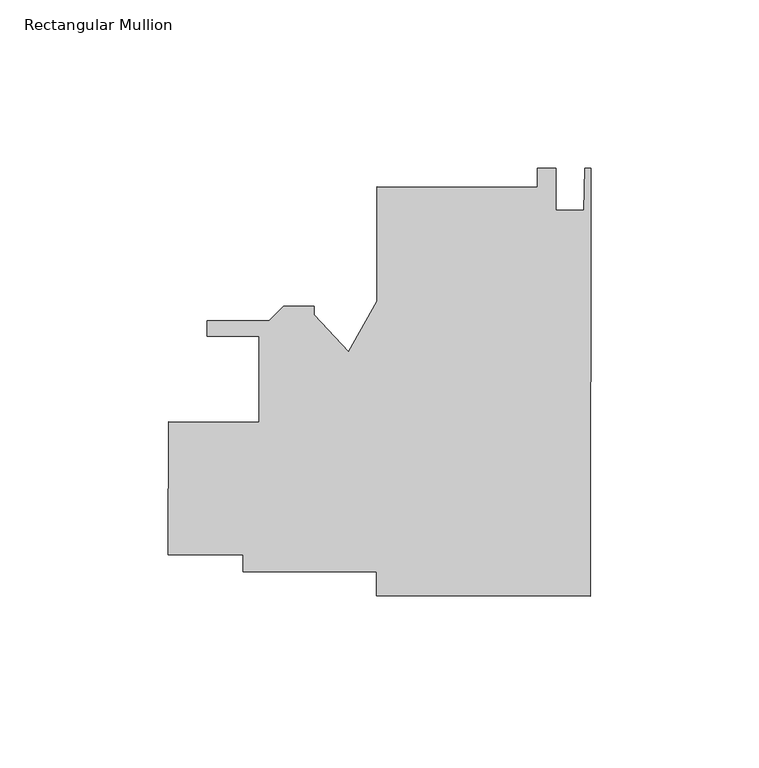
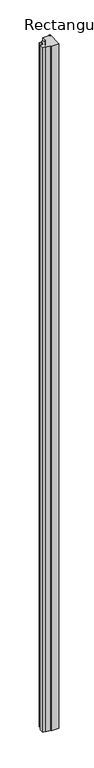
"""IFC4 building model written with IfcOpenShell, lengths in millimetres: member geometry, Rectangular Mullion."""

from ifc_helpers import new_model, si_unit, frame, origin, place, context, project, spatial, polyline, outline, extrude, source, transform, mapped, element, save


def rectangular_mullion_1303f9b8(model_context):
    return source(origin(), model_context, "Body", "SweptSolid", [
        extrude(outline(polyline([(0.0, 62.5473108), (-0.1449996, -64.4526064), (-63.6449582, -64.3801066), (-63.6368165, -57.2490613), (-103.3242793, -57.2037489), (-103.3184794, -52.1237729), (-125.5434648, -52.098398), (-125.4985149, -12.7284238), (-98.5110326, -12.7592362), (-98.4820327, 12.6407472), (-113.9831721, 12.6584453), (-113.9778072, 17.3574424), (-95.5953113, 17.3364546), (-91.3232421, 21.5987798), (-82.2229559, 21.5883897), (-82.2258559, 19.0483915), (-71.9079619, 8.1898052), (-63.5450898, 23.0910392), (-63.5063096, 57.0572142), (-15.8813406, 57.0028394), (-15.8749622, 62.5895042), (-10.3123658, 62.5831532), (-10.3264872, 50.2146928), (-2.0460926, 50.2052388), (-1.7779988, 62.5493408), (0.0, 62.5473108)])), frame((0.0, 0.0, -6000.75), z_axis=(0.0, 0.0, 1.0), x_axis=(1.0, 0.0, 0.0)), (0.0, 0.0, 1.0), 6000.75),
    ])


if __name__ == "__main__":
    model = new_model("IFC4")
    model_context = context("Model", 3, world=origin())
    ifc_project = project(units=[si_unit("LENGTHUNIT", "METRE", prefix="MILLI")], contexts=[model_context])
    site = spatial("IfcSite", under=ifc_project)
    building = spatial("IfcBuilding", under=site)
    placement = place(None, origin())
    rectangular_mullion_shape = rectangular_mullion_1303f9b8(model_context)
    element("IfcMember", 1, ObjectType="Rectangular Mullion", at=placement, inside=building, context=model_context, shape_type="MappedRepresentation", body=[
        mapped(rectangular_mullion_shape, transform((0.0, 0.0, 0.0), x_axis=(1.0, 0.0, 0.0), y_axis=(0.0, 1.0, 0.0), z_axis=(0.0, 0.0, 1.0))),
    ])
    save(model, "model.ifc")
